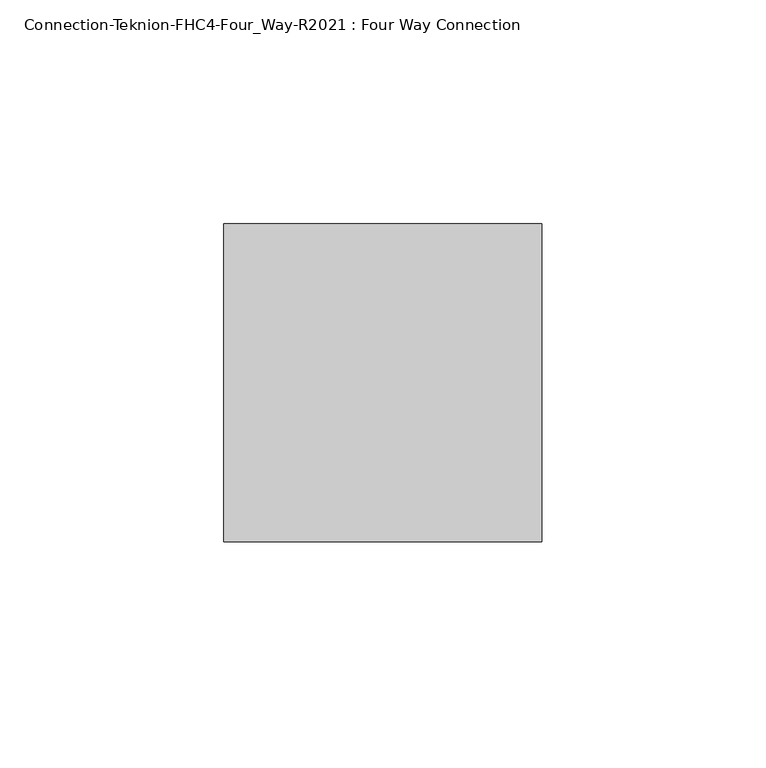
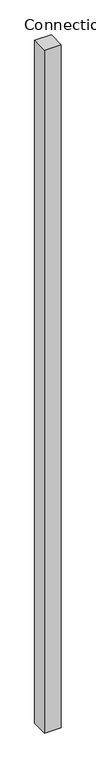
"""IFC4 building model written with IfcOpenShell, lengths in millimetres: proxy geometry, Connection-Teknion-FHC4-Four_Way-R2021 : Four Way Connection."""

from ifc_helpers import new_model, si_unit, origin, origin_with_axes, place, context, project, spatial, polyline, outline, extrude, source, transform, mapped, element, save


def connection_teknion_fhc4_four_way_r2021_four_way_connection_a06f3147(model_context):
    return source(origin(), model_context, "Body", "SweptSolid", [
        extrude(outline(polyline([(35.56, 35.56), (35.56, -35.56), (-35.56, -35.56), (-35.56, 35.56), (35.56, 35.56)])), origin_with_axes(), (0.0, 0.0, 1.0), 3048.0),
    ])


if __name__ == "__main__":
    model = new_model("IFC4")
    model_context = context("Model", 3, world=origin())
    ifc_project = project(units=[si_unit("LENGTHUNIT", "METRE", prefix="MILLI")], contexts=[model_context])
    site = spatial("IfcSite", under=ifc_project)
    building = spatial("IfcBuilding", under=site)
    placement = place(None, origin())
    connection_teknion_fhc4_four_way_r2021_four_way_connection_shape = connection_teknion_fhc4_four_way_r2021_four_way_connection_a06f3147(model_context)
    element("IfcBuildingElementProxy", 1, Name="Connection-Teknion-FHC4-Four_Way-R2021 : Four Way Connection", ObjectType="Connection-Teknion-FHC4-Four_Way-R2021 : Four Way Connection", at=placement, inside=building, context=model_context, shape_type="MappedRepresentation", body=[
        mapped(connection_teknion_fhc4_four_way_r2021_four_way_connection_shape, transform((0.0, 0.0, 0.0), x_axis=(1.0, 0.0, 0.0), y_axis=(0.0, 1.0, 0.0), z_axis=(0.0, 0.0, 1.0))),
    ])
    save(model, "model.ifc")
